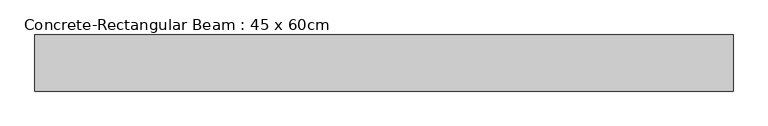
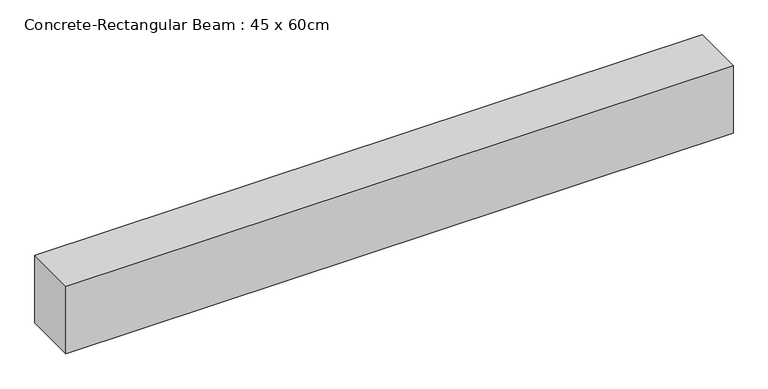
"""IFC4 building model written with IfcOpenShell, lengths in millimetres: beam geometry, Concrete-Rectangular Beam : 45 x 60cm."""

from ifc_helpers import new_model, si_unit, frame, origin, place, context, project, spatial, polyline, outline, extrude, source, transform, mapped, element, save


def concrete_rectangular_beam_45_x_60cm_0cd56034(model_context):
    return source(origin(), model_context, "Body", "SweptSolid", [
        extrude(outline(polyline([(2800.0, 225.0), (2800.0, -225.0), (-2800.0, -225.0), (-2800.0, 225.0), (2800.0, 225.0)])), frame((0.0, 0.0, -300.0), z_axis=(0.0, 0.0, 1.0), x_axis=(1.0, 0.0, 0.0)), (0.0, 0.0, 1.0), 600.0),
    ])


if __name__ == "__main__":
    model = new_model("IFC4")
    model_context = context("Model", 3, world=origin())
    ifc_project = project(units=[si_unit("LENGTHUNIT", "METRE", prefix="MILLI")], contexts=[model_context])
    site = spatial("IfcSite", under=ifc_project)
    building = spatial("IfcBuilding", under=site)
    placement = place(None, origin())
    concrete_rectangular_beam_45_x_60cm_shape = concrete_rectangular_beam_45_x_60cm_0cd56034(model_context)
    element("IfcBeam", 1, ObjectType="Concrete-Rectangular Beam : 45 x 60cm", at=placement, inside=building, context=model_context, shape_type="MappedRepresentation", body=[
        mapped(concrete_rectangular_beam_45_x_60cm_shape, transform((0.0, 0.0, 0.0), x_axis=(1.0, 0.0, 0.0), y_axis=(0.0, 1.0, 0.0), z_axis=(0.0, 0.0, 1.0))),
    ])
    save(model, "model.ifc")
